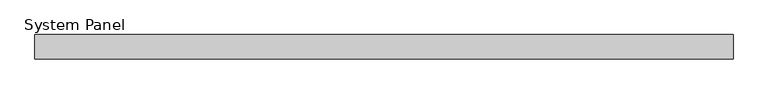
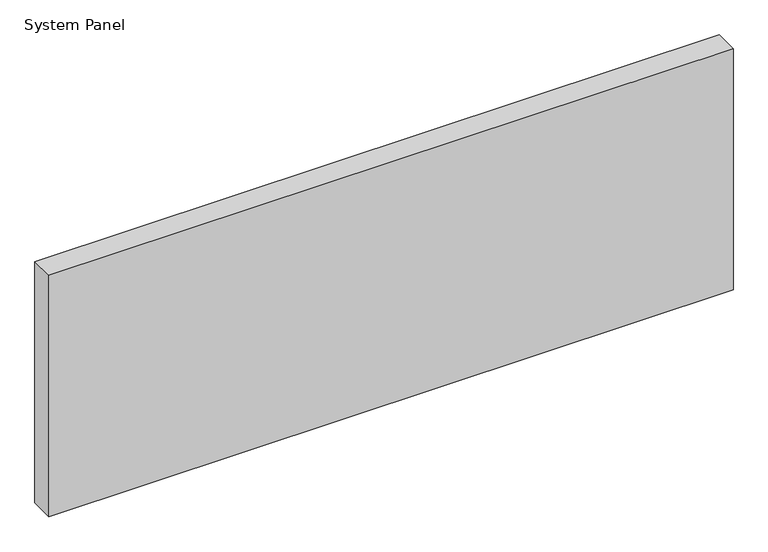
"""IFC4 building model written with IfcOpenShell, lengths in millimetres: plate geometry, System Panel."""

from ifc_helpers import new_model, si_unit, origin, origin_with_axes, place, context, project, spatial, polyline, outline, extrude, source, transform, mapped, element, save


def system_panel_a18af1c3(model_context):
    return source(origin(), model_context, "Body", "SweptSolid", [
        extrude(outline(polyline([(570.0, 14.0), (-570.0, 14.0), (-570.0, 54.0), (570.0, 54.0), (570.0, 14.0)])), origin_with_axes(), (0.0, 0.0, 1.0), 425.0),
    ])


if __name__ == "__main__":
    model = new_model("IFC4")
    model_context = context("Model", 3, world=origin())
    ifc_project = project(units=[si_unit("LENGTHUNIT", "METRE", prefix="MILLI")], contexts=[model_context])
    site = spatial("IfcSite", under=ifc_project)
    building = spatial("IfcBuilding", under=site)
    placement = place(None, origin())
    system_panel_shape = system_panel_a18af1c3(model_context)
    element("IfcPlate", 1, ObjectType="System Panel", at=placement, inside=building, context=model_context, shape_type="MappedRepresentation", body=[
        mapped(system_panel_shape, transform((0.0, 0.0, 0.0), x_axis=(1.0, 0.0, 0.0), y_axis=(0.0, 1.0, 0.0), z_axis=(0.0, 0.0, 1.0))),
    ])
    save(model, "model.ifc")
